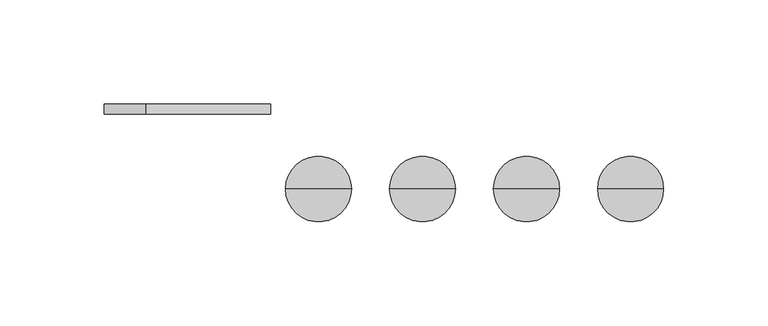
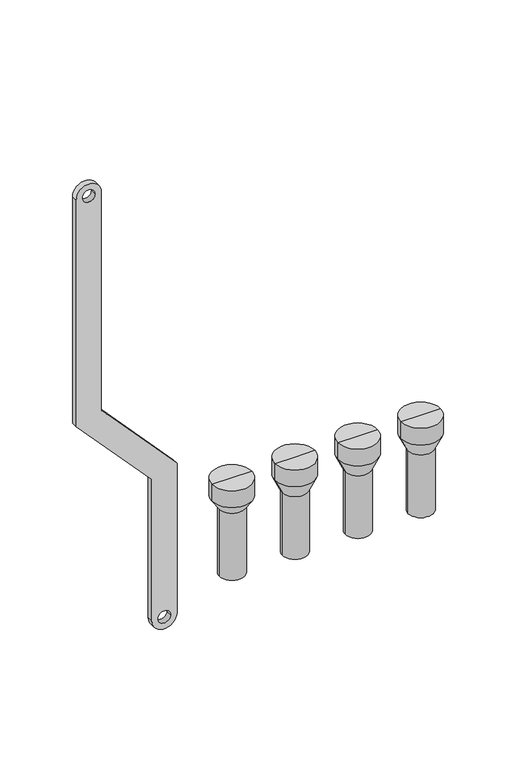
"""IFC4 building model written with IfcOpenShell, lengths in millimetres: proxy geometry."""

from ifc_helpers import new_model, si_unit, point, frame, frame_2d, origin, place, context, project, spatial, polyline, circle_curve, trimmed, segment, composite_curve, outline, extrude, source, transform, mapped, element, save
from ifc_brep_helpers import plane_surface, cylinder_surface, revolved_surface, advanced_brep


def mechanical_equipment_639a1651(model_context):
    return source(origin(), model_context, "Body", "SolidModel", [
        advanced_brep(
        [(251.0, -20.0, -240.0), (235.0, -20.0, -240.0), (235.0, -20.0, -187.5), (251.0, -20.0, -187.5), (253.0, -20.0, -240.0), (233.0, -20.0, -240.0), (253.0, -20.0, -187.5), (233.0, -20.0, -187.5), (258.791778, -20.0, -175.079492), (227.208222, -20.0, -175.079492), (258.791778, -20.0, -161.0287273), (227.208222, -20.0, -161.0287273), (243.0, -20.0, -161.0287273), (243.0, -20.0, -187.5)],
        [
            (0, 1, circle_curve(frame((243.0, -20.0, -240.0), z_axis=(0.0, 0.0, -1.0), x_axis=(-1.0, 0.0, 0.0)), 8.0)),
            (1, 2),
            (2, 3, circle_curve(frame((243.0, -20.0, -187.5), z_axis=(0.0, 0.0, 1.0), x_axis=(-1.0, 0.0, 0.0)), 8.0)),
            (3, 0),
            (1, 0, circle_curve(frame((243.0, -20.0, -240.0), z_axis=(0.0, 0.0, -1.0), x_axis=(-1.0, 0.0, 0.0)), 8.0)),
            (3, 2, circle_curve(frame((243.0, -20.0, -187.5), z_axis=(0.0, 0.0, 1.0), x_axis=(-1.0, 0.0, 0.0)), 8.0)),
            (4, 5, circle_curve(frame((243.0, -20.0, -240.0), z_axis=(0.0, 0.0, -1.0), x_axis=(-1.0, 0.0, 0.0)), 10.0)),
            (5, 1),
            (0, 4),
            (5, 4, circle_curve(frame((243.0, -20.0, -240.0), z_axis=(0.0, 0.0, -1.0), x_axis=(-1.0, 0.0, 0.0)), 10.0)),
            (6, 7, circle_curve(frame((243.0, -20.0, -187.5), z_axis=(0.0, 0.0, -1.0), x_axis=(-1.0, 0.0, 0.0)), 10.0)),
            (7, 5),
            (4, 6),
            (7, 6, circle_curve(frame((243.0, -20.0, -187.5), z_axis=(0.0, 0.0, -1.0), x_axis=(-1.0, 0.0, 0.0)), 10.0)),
            (8, 9, circle_curve(frame((243.0, -20.0, -175.079492), z_axis=(0.0, 0.0, -1.0), x_axis=(-1.0, 0.0, 0.0)), 15.791778)),
            (9, 7),
            (6, 8),
            (9, 8, circle_curve(frame((243.0, -20.0, -175.079492), z_axis=(0.0, 0.0, -1.0), x_axis=(-1.0, 0.0, 0.0)), 15.791778)),
            (10, 11, circle_curve(frame((243.0, -20.0, -161.0287273), z_axis=(0.0, 0.0, -1.0), x_axis=(-1.0, 0.0, 0.0)), 15.791778)),
            (11, 9),
            (8, 10),
            (11, 10, circle_curve(frame((243.0, -20.0, -161.0287273), z_axis=(0.0, 0.0, -1.0), x_axis=(-1.0, 0.0, 0.0)), 15.791778)),
            (12, 11),
            (10, 12),
            (2, 13),
            (13, 3),
        ],
        [
            revolved_surface(polyline([(235.0, -20.0, -187.5), (235.0, -20.0, -240.0)]), (243.0, -20.0, -200.0), (0.0, 0.0, 1.0)),
            plane_surface(frame((243.0, -20.0, -240.0), z_axis=(0.0, 0.0, -1.0), x_axis=(-1.0, 0.0, 0.0))),
            cylinder_surface(frame((243.0, -20.0, -200.0), z_axis=(0.0, 0.0, 1.0), x_axis=(-1.0, 0.0, 0.0)), 10.0),
            revolved_surface(polyline([(233.0, -20.0, -187.5), (227.208222, -20.0, -175.079492)]), (243.0, -20.0, -200.0), (0.0, 0.0, 1.0)),
            cylinder_surface(frame((243.0, -20.0, -200.0), z_axis=(0.0, 0.0, 1.0), x_axis=(-1.0, 0.0, 0.0)), 15.791778),
            plane_surface(frame((243.0, -20.0, -161.0287273), z_axis=(0.0, 0.0, 1.0), x_axis=(-1.0, 0.0, 0.0))),
            plane_surface(frame((243.0, -20.0, -187.5), z_axis=(0.0, 0.0, -1.0), x_axis=(-1.0, 0.0, 0.0))),
        ],
        [
            (0, [[1, 2, 3, 4]]),
            (0, [[5, -4, 6, -2]]),
            (1, [[7, 8, -1, 9]]),
            (1, [[10, -9, -5, -8]]),
            (2, [[11, 12, -7, 13]]),
            (2, [[14, -13, -10, -12]]),
            (3, [[15, 16, -11, 17]]),
            (3, [[18, -17, -14, -16]]),
            (4, [[19, 20, -15, 21]]),
            (4, [[22, -21, -18, -20]]),
            (5, [[23, -19, 24]]),
            (5, [[-24, -22, -23]]),
            (6, [[-3, 25, 26]]),
            (6, [[-6, -26, -25]]),
        ],
    ),
        advanced_brep(
        [(201.0, -20.0, -240.0), (185.0, -20.0, -240.0), (185.0, -20.0, -187.5), (201.0, -20.0, -187.5), (203.0, -20.0, -240.0), (183.0, -20.0, -240.0), (203.0, -20.0, -187.5), (183.0, -20.0, -187.5), (208.791778, -20.0, -175.079492), (177.208222, -20.0, -175.079492), (208.791778, -20.0, -161.0287273), (177.208222, -20.0, -161.0287273), (193.0, -20.0, -161.0287273), (193.0, -20.0, -187.5)],
        [
            (0, 1, circle_curve(frame((193.0, -20.0, -240.0), z_axis=(0.0, 0.0, -1.0), x_axis=(-1.0, 0.0, 0.0)), 8.0)),
            (1, 2),
            (2, 3, circle_curve(frame((193.0, -20.0, -187.5), z_axis=(0.0, 0.0, 1.0), x_axis=(-1.0, 0.0, 0.0)), 8.0)),
            (3, 0),
            (1, 0, circle_curve(frame((193.0, -20.0, -240.0), z_axis=(0.0, 0.0, -1.0), x_axis=(-1.0, 0.0, 0.0)), 8.0)),
            (3, 2, circle_curve(frame((193.0, -20.0, -187.5), z_axis=(0.0, 0.0, 1.0), x_axis=(-1.0, 0.0, 0.0)), 8.0)),
            (4, 5, circle_curve(frame((193.0, -20.0, -240.0), z_axis=(0.0, 0.0, -1.0), x_axis=(-1.0, 0.0, 0.0)), 10.0)),
            (5, 1),
            (0, 4),
            (5, 4, circle_curve(frame((193.0, -20.0, -240.0), z_axis=(0.0, 0.0, -1.0), x_axis=(-1.0, 0.0, 0.0)), 10.0)),
            (6, 7, circle_curve(frame((193.0, -20.0, -187.5), z_axis=(0.0, 0.0, -1.0), x_axis=(-1.0, 0.0, 0.0)), 10.0)),
            (7, 5),
            (4, 6),
            (7, 6, circle_curve(frame((193.0, -20.0, -187.5), z_axis=(0.0, 0.0, -1.0), x_axis=(-1.0, 0.0, 0.0)), 10.0)),
            (8, 9, circle_curve(frame((193.0, -20.0, -175.079492), z_axis=(0.0, 0.0, -1.0), x_axis=(-1.0, 0.0, 0.0)), 15.791778)),
            (9, 7),
            (6, 8),
            (9, 8, circle_curve(frame((193.0, -20.0, -175.079492), z_axis=(0.0, 0.0, -1.0), x_axis=(-1.0, 0.0, 0.0)), 15.791778)),
            (10, 11, circle_curve(frame((193.0, -20.0, -161.0287273), z_axis=(0.0, 0.0, -1.0), x_axis=(-1.0, 0.0, 0.0)), 15.791778)),
            (11, 9),
            (8, 10),
            (11, 10, circle_curve(frame((193.0, -20.0, -161.0287273), z_axis=(0.0, 0.0, -1.0), x_axis=(-1.0, 0.0, 0.0)), 15.791778)),
            (12, 11),
            (10, 12),
            (2, 13),
            (13, 3),
        ],
        [
            revolved_surface(polyline([(185.0, -20.0, -187.5), (185.0, -20.0, -240.0)]), (193.0, -20.0, -200.0), (0.0, 0.0, 1.0)),
            plane_surface(frame((193.0, -20.0, -240.0), z_axis=(0.0, 0.0, -1.0), x_axis=(-1.0, 0.0, 0.0))),
            cylinder_surface(frame((193.0, -20.0, -200.0), z_axis=(0.0, 0.0, 1.0), x_axis=(-1.0, 0.0, 0.0)), 10.0),
            revolved_surface(polyline([(183.0, -20.0, -187.5), (177.208222, -20.0, -175.079492)]), (193.0, -20.0, -200.0), (0.0, 0.0, 1.0)),
            cylinder_surface(frame((193.0, -20.0, -200.0), z_axis=(0.0, 0.0, 1.0), x_axis=(-1.0, 0.0, 0.0)), 15.791778),
            plane_surface(frame((193.0, -20.0, -161.0287273), z_axis=(0.0, 0.0, 1.0), x_axis=(-1.0, 0.0, 0.0))),
            plane_surface(frame((193.0, -20.0, -187.5), z_axis=(0.0, 0.0, -1.0), x_axis=(-1.0, 0.0, 0.0))),
        ],
        [
            (0, [[1, 2, 3, 4]]),
            (0, [[5, -4, 6, -2]]),
            (1, [[7, 8, -1, 9]]),
            (1, [[10, -9, -5, -8]]),
            (2, [[11, 12, -7, 13]]),
            (2, [[14, -13, -10, -12]]),
            (3, [[15, 16, -11, 17]]),
            (3, [[18, -17, -14, -16]]),
            (4, [[19, 20, -15, 21]]),
            (4, [[22, -21, -18, -20]]),
            (5, [[23, -19, 24]]),
            (5, [[-24, -22, -23]]),
            (6, [[-3, 25, 26]]),
            (6, [[-6, -26, -25]]),
        ],
    ),
        advanced_brep(
        [(151.0, -20.0, -240.0), (135.0, -20.0, -240.0), (135.0, -20.0, -187.5), (151.0, -20.0, -187.5), (153.0, -20.0, -240.0), (133.0, -20.0, -240.0), (153.0, -20.0, -187.5), (133.0, -20.0, -187.5), (158.791778, -20.0, -175.079492), (127.208222, -20.0, -175.079492), (158.791778, -20.0, -161.0287273), (127.208222, -20.0, -161.0287273), (143.0, -20.0, -161.0287273), (143.0, -20.0, -187.5)],
        [
            (0, 1, circle_curve(frame((143.0, -20.0, -240.0), z_axis=(0.0, 0.0, -1.0), x_axis=(-1.0, 0.0, 0.0)), 8.0)),
            (1, 2),
            (2, 3, circle_curve(frame((143.0, -20.0, -187.5), z_axis=(0.0, 0.0, 1.0), x_axis=(-1.0, 0.0, 0.0)), 8.0)),
            (3, 0),
            (1, 0, circle_curve(frame((143.0, -20.0, -240.0), z_axis=(0.0, 0.0, -1.0), x_axis=(-1.0, 0.0, 0.0)), 8.0)),
            (3, 2, circle_curve(frame((143.0, -20.0, -187.5), z_axis=(0.0, 0.0, 1.0), x_axis=(-1.0, 0.0, 0.0)), 8.0)),
            (4, 5, circle_curve(frame((143.0, -20.0, -240.0), z_axis=(0.0, 0.0, -1.0), x_axis=(-1.0, 0.0, 0.0)), 10.0)),
            (5, 1),
            (0, 4),
            (5, 4, circle_curve(frame((143.0, -20.0, -240.0), z_axis=(0.0, 0.0, -1.0), x_axis=(-1.0, 0.0, 0.0)), 10.0)),
            (6, 7, circle_curve(frame((143.0, -20.0, -187.5), z_axis=(0.0, 0.0, -1.0), x_axis=(-1.0, 0.0, 0.0)), 10.0)),
            (7, 5),
            (4, 6),
            (7, 6, circle_curve(frame((143.0, -20.0, -187.5), z_axis=(0.0, 0.0, -1.0), x_axis=(-1.0, 0.0, 0.0)), 10.0)),
            (8, 9, circle_curve(frame((143.0, -20.0, -175.079492), z_axis=(0.0, 0.0, -1.0), x_axis=(-1.0, 0.0, 0.0)), 15.791778)),
            (9, 7),
            (6, 8),
            (9, 8, circle_curve(frame((143.0, -20.0, -175.079492), z_axis=(0.0, 0.0, -1.0), x_axis=(-1.0, 0.0, 0.0)), 15.791778)),
            (10, 11, circle_curve(frame((143.0, -20.0, -161.0287273), z_axis=(0.0, 0.0, -1.0), x_axis=(-1.0, 0.0, 0.0)), 15.791778)),
            (11, 9),
            (8, 10),
            (11, 10, circle_curve(frame((143.0, -20.0, -161.0287273), z_axis=(0.0, 0.0, -1.0), x_axis=(-1.0, 0.0, 0.0)), 15.791778)),
            (12, 11),
            (10, 12),
            (2, 13),
            (13, 3),
        ],
        [
            revolved_surface(polyline([(135.0, -20.0, -187.5), (135.0, -20.0, -240.0)]), (143.0, -20.0, -200.0), (0.0, 0.0, 1.0)),
            plane_surface(frame((143.0, -20.0, -240.0), z_axis=(0.0, 0.0, -1.0), x_axis=(-1.0, 0.0, 0.0))),
            cylinder_surface(frame((143.0, -20.0, -200.0), z_axis=(0.0, 0.0, 1.0), x_axis=(-1.0, 0.0, 0.0)), 10.0),
            revolved_surface(polyline([(133.0, -20.0, -187.5), (127.208222, -20.0, -175.079492)]), (143.0, -20.0, -200.0), (0.0, 0.0, 1.0)),
            cylinder_surface(frame((143.0, -20.0, -200.0), z_axis=(0.0, 0.0, 1.0), x_axis=(-1.0, 0.0, 0.0)), 15.791778),
            plane_surface(frame((143.0, -20.0, -161.0287273), z_axis=(0.0, 0.0, 1.0), x_axis=(-1.0, 0.0, 0.0))),
            plane_surface(frame((143.0, -20.0, -187.5), z_axis=(0.0, 0.0, -1.0), x_axis=(-1.0, 0.0, 0.0))),
        ],
        [
            (0, [[1, 2, 3, 4]]),
            (0, [[5, -4, 6, -2]]),
            (1, [[7, 8, -1, 9]]),
            (1, [[10, -9, -5, -8]]),
            (2, [[11, 12, -7, 13]]),
            (2, [[14, -13, -10, -12]]),
            (3, [[15, 16, -11, 17]]),
            (3, [[18, -17, -14, -16]]),
            (4, [[19, 20, -15, 21]]),
            (4, [[22, -21, -18, -20]]),
            (5, [[23, -19, 24]]),
            (5, [[-24, -22, -23]]),
            (6, [[-3, 25, 26]]),
            (6, [[-6, -26, -25]]),
        ],
    ),
        advanced_brep(
        [(101.0, -20.0, -240.0), (85.0, -20.0, -240.0), (85.0, -20.0, -184.0), (101.0, -20.0, -184.0), (103.0, -20.0, -240.0), (83.0, -20.0, -240.0), (103.0, -20.0, -184.0), (83.0, -20.0, -184.0), (108.791778, -20.0, -175.079492), (77.208222, -20.0, -175.079492), (108.791778, -20.0, -161.0287273), (77.208222, -20.0, -161.0287273), (93.0, -20.0, -161.0287273), (93.0, -20.0, -184.0)],
        [
            (0, 1, circle_curve(frame((93.0, -20.0, -240.0), z_axis=(0.0, 0.0, -1.0), x_axis=(-1.0, 0.0, 0.0)), 8.0)),
            (1, 2),
            (2, 3, circle_curve(frame((93.0, -20.0, -184.0), z_axis=(0.0, 0.0, 1.0), x_axis=(-1.0, 0.0, 0.0)), 8.0)),
            (3, 0),
            (1, 0, circle_curve(frame((93.0, -20.0, -240.0), z_axis=(0.0, 0.0, -1.0), x_axis=(-1.0, 0.0, 0.0)), 8.0)),
            (3, 2, circle_curve(frame((93.0, -20.0, -184.0), z_axis=(0.0, 0.0, 1.0), x_axis=(-1.0, 0.0, 0.0)), 8.0)),
            (4, 5, circle_curve(frame((93.0, -20.0, -240.0), z_axis=(0.0, 0.0, -1.0), x_axis=(-1.0, 0.0, 0.0)), 10.0)),
            (5, 1),
            (0, 4),
            (5, 4, circle_curve(frame((93.0, -20.0, -240.0), z_axis=(0.0, 0.0, -1.0), x_axis=(-1.0, 0.0, 0.0)), 10.0)),
            (6, 7, circle_curve(frame((93.0, -20.0, -184.0), z_axis=(0.0, 0.0, -1.0), x_axis=(-1.0, 0.0, 0.0)), 10.0)),
            (7, 5),
            (4, 6),
            (7, 6, circle_curve(frame((93.0, -20.0, -184.0), z_axis=(0.0, 0.0, -1.0), x_axis=(-1.0, 0.0, 0.0)), 10.0)),
            (8, 9, circle_curve(frame((93.0, -20.0, -175.079492), z_axis=(0.0, 0.0, -1.0), x_axis=(-1.0, 0.0, 0.0)), 15.791778)),
            (9, 7),
            (6, 8),
            (9, 8, circle_curve(frame((93.0, -20.0, -175.079492), z_axis=(0.0, 0.0, -1.0), x_axis=(-1.0, 0.0, 0.0)), 15.791778)),
            (10, 11, circle_curve(frame((93.0, -20.0, -161.0287273), z_axis=(0.0, 0.0, -1.0), x_axis=(-1.0, 0.0, 0.0)), 15.791778)),
            (11, 9),
            (8, 10),
            (11, 10, circle_curve(frame((93.0, -20.0, -161.0287273), z_axis=(0.0, 0.0, -1.0), x_axis=(-1.0, 0.0, 0.0)), 15.791778)),
            (12, 11),
            (10, 12),
            (2, 13),
            (13, 3),
        ],
        [
            revolved_surface(polyline([(85.0, -20.0, -184.0), (85.0, -20.0, -240.0)]), (93.0, -20.0, -200.0), (0.0, 0.0, 1.0)),
            plane_surface(frame((93.0, -20.0, -240.0), z_axis=(0.0, 0.0, -1.0), x_axis=(-1.0, 0.0, 0.0))),
            cylinder_surface(frame((93.0, -20.0, -200.0), z_axis=(0.0, 0.0, 1.0), x_axis=(-1.0, 0.0, 0.0)), 10.0),
            revolved_surface(polyline([(83.0, -20.0, -184.0), (77.208222, -20.0, -175.079492)]), (93.0, -20.0, -200.0), (0.0, 0.0, 1.0)),
            cylinder_surface(frame((93.0, -20.0, -200.0), z_axis=(0.0, 0.0, 1.0), x_axis=(-1.0, 0.0, 0.0)), 15.791778),
            plane_surface(frame((93.0, -20.0, -161.0287273), z_axis=(0.0, 0.0, 1.0), x_axis=(-1.0, 0.0, 0.0))),
            plane_surface(frame((93.0, -20.0, -184.0), z_axis=(0.0, 0.0, -1.0), x_axis=(-1.0, 0.0, 0.0))),
        ],
        [
            (0, [[1, 2, 3, 4]]),
            (0, [[5, -4, 6, -2]]),
            (1, [[7, 8, -1, 9]]),
            (1, [[10, -9, -5, -8]]),
            (2, [[11, 12, -7, 13]]),
            (2, [[14, -13, -10, -12]]),
            (3, [[15, 16, -11, 17]]),
            (3, [[18, -17, -14, -16]]),
            (4, [[19, 20, -15, 21]]),
            (4, [[22, -21, -18, -20]]),
            (5, [[23, -19, 24]]),
            (5, [[-24, -22, -23]]),
            (6, [[-3, 25, 26]]),
            (6, [[-6, -26, -25]]),
        ],
    ),
        extrude(outline(composite_curve([segment(trimmed(circle_curve(frame_2d((86.2845679, 0.0)), 10.0), [point((86.2845679, 10.0))], [point((86.2845679, -10.0))], False, "CARTESIAN"), True, "CONTINUOUS"), segment(polyline([(86.2845679, -10.0), (-103.7138261, -10.0), (-169.0329221, 50.0), (-287.9537524, 50.0)]), True, "CONTINUOUS"), segment(trimmed(circle_curve(frame_2d((-287.9537524, 60.0)), 10.0), [point((-287.9537524, 50.0))], [point((-287.9537524, 70.0))], False, "CARTESIAN"), True, "CONTINUOUS"), segment(polyline([(-287.9537524, 70.0), (-162.5345282, 70.0), (-97.2154321, 10.0), (86.2845679, 10.0)]), True, "CONTINUOUS")], self_intersect=False), holes=[composite_curve([segment(trimmed(circle_curve(frame_2d((86.2845679, 0.0)), 5.0), [point((86.2845679, -5.0))], [point((86.2845679, 5.0))], True, "CARTESIAN"), True, "CONTINUOUS"), segment(trimmed(circle_curve(frame_2d((86.2845679, 0.0)), 5.0), [point((86.2845679, 5.0))], [point((86.2845679, -5.0))], True, "CARTESIAN"), True, "CONTINUOUS")], self_intersect=False), composite_curve([segment(trimmed(circle_curve(frame_2d((-287.9537524, 60.0)), 5.0), [point((-287.9537524, 55.0))], [point((-287.9537524, 65.0))], True, "CARTESIAN"), True, "CONTINUOUS"), segment(trimmed(circle_curve(frame_2d((-287.9537524, 60.0)), 5.0), [point((-287.9537524, 65.0))], [point((-287.9537524, 55.0))], True, "CARTESIAN"), True, "CONTINUOUS")], self_intersect=False)]), frame((0.0, 16.0, 0.0), z_axis=(0.0, 1.0, 0.0), x_axis=(0.0, 0.0, 1.0)), (0.0, 0.0, 1.0), 4.847249),
    ])


if __name__ == "__main__":
    model = new_model("IFC4")
    model_context = context("Model", 3, world=origin())
    ifc_project = project(units=[si_unit("LENGTHUNIT", "METRE", prefix="MILLI")], contexts=[model_context])
    site = spatial("IfcSite", under=ifc_project)
    building = spatial("IfcBuilding", under=site)
    placement = place(None, origin())
    mechanical_equipment_shape = mechanical_equipment_639a1651(model_context)
    element("IfcBuildingElementProxy", 1, Name="Mechanical Equipment", at=placement, inside=building, context=model_context, shape_type="MappedRepresentation", body=[
        mapped(mechanical_equipment_shape, transform((0.0, 0.0, 0.0), x_axis=(1.0, 0.0, 0.0), y_axis=(0.0, 1.0, 0.0), z_axis=(0.0, 0.0, 1.0))),
    ])
    save(model, "model.ifc")
